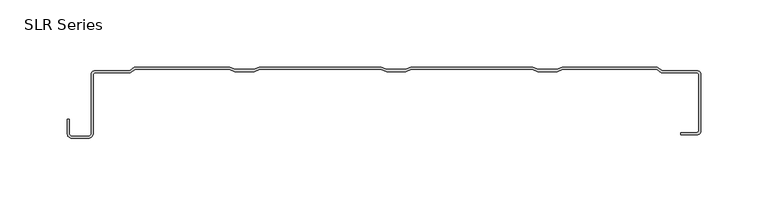
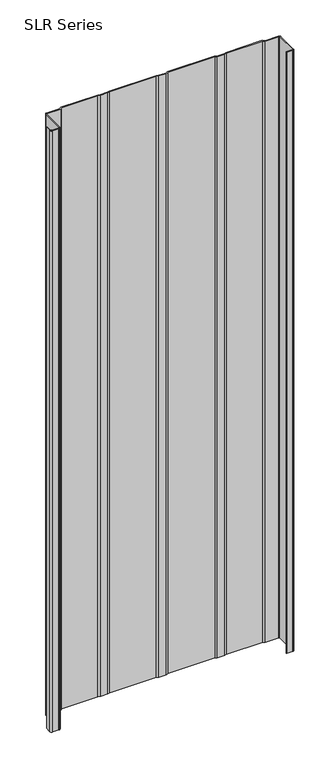
"""IFC4 building model written with IfcOpenShell, lengths in millimetres: plate geometry, SLR Series."""

from ifc_helpers import new_model, si_unit, point, frame_2d, origin, origin_with_axes, place, context, project, spatial, polyline, circle_curve, trimmed, segment, composite_curve, outline, extrude, source, transform, mapped, element, save


def slr_series_83b2dc1e(model_context):
    return source(origin(), model_context, "Body", "SweptSolid", [
        extrude(outline(composite_curve([segment(polyline([(126.4659208, -1.5875), (122.3436117, -3.2364237), (107.9601651, -3.2364237), (103.8378559, -1.5875), (13.8445989, -1.5875), (9.7222897, -3.2364237), (-4.6611569, -3.2364237), (-8.783466, -1.5875), (-98.9870308, -1.5875), (-103.1093399, -3.2364237), (-117.4927865, -3.2364237), (-121.6150957, -1.5875), (-191.8345649, -1.5875), (-195.4142705, -4.2722792), (-221.8338237, -4.2722792)]), True, "CONTINUOUS"), segment(trimmed(circle_curve(frame_2d((-221.8338237, -5.3846124)), 1.1123332), [point((-221.8338237, -4.2722792))], [point((-222.9461569, -5.3846124))], True, "CARTESIAN"), True, "CONTINUOUS"), segment(polyline([(-222.9461569, -5.3846124), (-222.9461569, -49.322367)]), True, "CONTINUOUS"), segment(trimmed(circle_curve(frame_2d((-226.4785174, -49.322367)), 3.5323605), [point((-222.9461569, -49.322367))], [point((-226.4785174, -52.8547275))], False, "CARTESIAN"), True, "CONTINUOUS"), segment(polyline([(-226.4785174, -52.8547275), (-238.8643673, -52.8547275)]), True, "CONTINUOUS"), segment(trimmed(circle_curve(frame_2d((-238.8643673, -49.322367)), 3.5323605), [point((-238.8643673, -52.8547275))], [point((-242.3967278, -49.322367))], False, "CARTESIAN"), True, "CONTINUOUS"), segment(polyline([(-242.3967278, -49.322367), (-242.3967278, -38.9158598), (-240.8437101, -38.9158598), (-240.8437101, -49.322367)]), True, "CONTINUOUS"), segment(trimmed(circle_curve(frame_2d((-238.8643673, -49.322367)), 1.9793427), [point((-240.8437101, -49.322367))], [point((-238.8643673, -51.3017098))], True, "CARTESIAN"), True, "CONTINUOUS"), segment(polyline([(-238.8643673, -51.3017098), (-226.4785174, -51.3017098)]), True, "CONTINUOUS"), segment(trimmed(circle_curve(frame_2d((-226.4785174, -49.322367)), 1.9793427), [point((-226.4785174, -51.3017098))], [point((-224.4991747, -49.322367))], True, "CARTESIAN"), True, "CONTINUOUS"), segment(polyline([(-224.4991747, -49.322367), (-224.4991747, -5.4093769)]), True, "CONTINUOUS"), segment(trimmed(circle_curve(frame_2d((-221.7739185, -5.4093769)), 2.7252562), [point((-224.4991747, -5.4093769))], [point((-221.8338237, -2.6847792))], False, "CARTESIAN"), True, "CONTINUOUS"), segment(polyline([(-221.8338237, -2.6847792), (-195.9434372, -2.6847792), (-192.3637316, 0.0), (-121.3093711, 0.0), (-117.187062, -1.6489237), (-103.4150645, -1.6489237), (-99.2927553, 0.0), (-8.4777414, 0.0), (-4.3554323, -1.6489237), (9.4165652, -1.6489237), (13.5388743, 0.0), (104.1435805, 0.0), (108.2658896, -1.6489237), (122.0378871, -1.6489237), (126.1601962, 0.0), (197.0076912, 0.0), (200.5873968, -2.6847792), (226.4777833, -2.6847792)]), True, "CONTINUOUS"), segment(trimmed(circle_curve(frame_2d((226.4777833, -5.5569958)), 2.8722166), [point((226.4777833, -2.6847792))], [point((229.3499998, -5.5569958))], False, "CARTESIAN"), True, "CONTINUOUS"), segment(polyline([(229.3499998, -5.5569958), (229.3499998, -47.5057747)]), True, "CONTINUOUS"), segment(trimmed(circle_curve(frame_2d((226.5762297, -47.5057747)), 2.7737702), [point((229.3499998, -47.5057747))], [point((226.5762297, -50.2795449))], False, "CARTESIAN"), True, "CONTINUOUS"), segment(polyline([(226.5762297, -50.2795449), (214.496908, -50.2795449), (214.496908, -48.6618105), (226.5762297, -48.6618105)]), True, "CONTINUOUS"), segment(trimmed(circle_curve(frame_2d((226.5762297, -47.5057747)), 1.1560358), [point((226.5762297, -48.6618105))], [point((227.7322655, -47.5057747))], True, "CARTESIAN"), True, "CONTINUOUS"), segment(polyline([(227.7322655, -47.5057747), (227.7322655, -5.5569958)]), True, "CONTINUOUS"), segment(trimmed(circle_curve(frame_2d((226.4475489, -5.5569958)), 1.2847166), [point((227.7322655, -5.5569958))], [point((226.4475489, -4.2722792))], True, "CARTESIAN"), True, "CONTINUOUS"), segment(polyline([(226.4475489, -4.2722792), (200.0582301, -4.2722792), (196.4785245, -1.5875), (126.4659208, -1.5875)]), True, "CONTINUOUS")], self_intersect=False)), origin_with_axes(), (0.0, 0.0, 1.0), 1228.3559792),
    ])


if __name__ == "__main__":
    model = new_model("IFC4")
    model_context = context("Model", 3, world=origin())
    ifc_project = project(units=[si_unit("LENGTHUNIT", "METRE", prefix="MILLI")], contexts=[model_context])
    site = spatial("IfcSite", under=ifc_project)
    building = spatial("IfcBuilding", under=site)
    placement = place(None, origin())
    slr_series_shape = slr_series_83b2dc1e(model_context)
    element("IfcPlate", 1, ObjectType="SLR Series", at=placement, inside=building, context=model_context, shape_type="MappedRepresentation", body=[
        mapped(slr_series_shape, transform((0.0, 0.0, 0.0), x_axis=(1.0, 0.0, 0.0), y_axis=(0.0, 1.0, 0.0), z_axis=(0.0, 0.0, 1.0))),
    ])
    save(model, "model.ifc")
